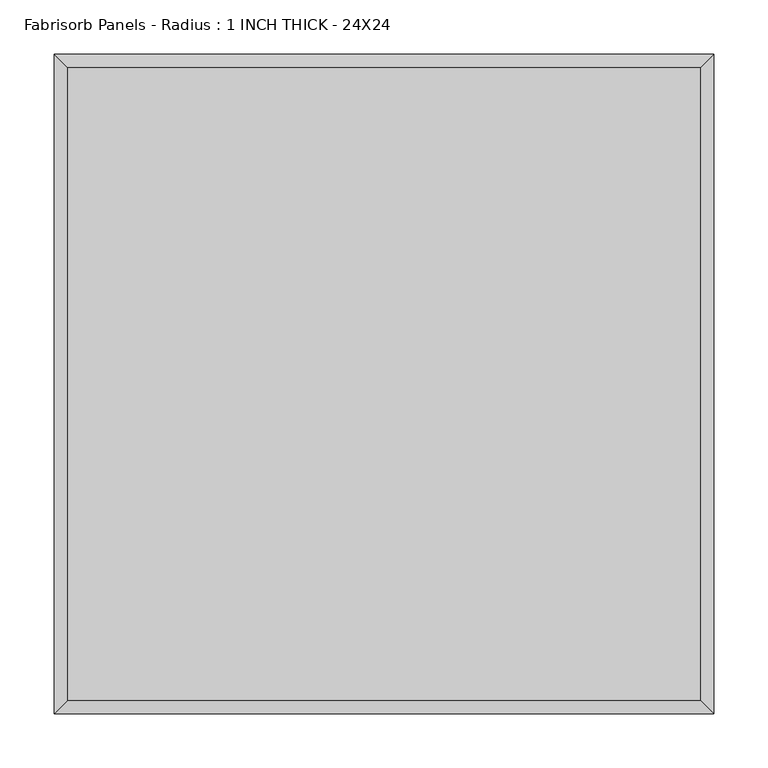
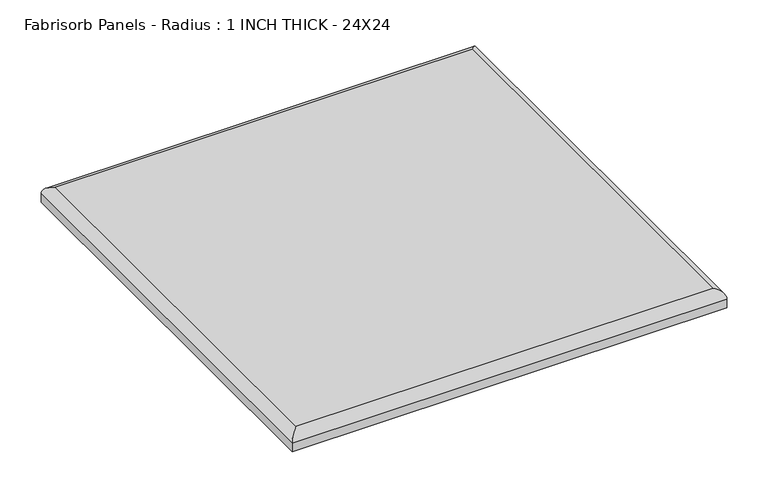
"""IFC4 building model written with IfcOpenShell, lengths in millimetres: proxy geometry, Fabrisorb Panels - Radius : 1 INCH THICK - 24X24."""

from ifc_helpers import new_model, si_unit, frame, origin, place, context, project, spatial, ellipse_curve, source, transform, mapped, element, save
from ifc_brep_helpers import plane_surface, cylinder_surface, advanced_brep


def fabrisorb_panels_radius_1_inch_thick_24x24_7c0f35f2(model_context):
    return source(origin(), model_context, "Body", "AdvancedBrep", [
        advanced_brep(
        [(292.1, 292.1, 25.4), (-292.1, 292.1, 25.4), (-292.1, -292.1, 25.4), (292.1, -292.1, 25.4), (-304.8, 304.8, 0.0), (304.8, 304.8, 0.0), (304.8, -304.8, 0.0), (-304.8, -304.8, 0.0), (-304.8, -304.8, 12.7), (-304.8, 304.8, 12.7), (304.8, -304.8, 12.7), (304.8, 304.8, 12.7)],
        [
            (0, 1),
            (1, 2),
            (2, 3),
            (3, 0),
            (4, 5),
            (5, 6),
            (6, 7),
            (7, 4),
            (7, 8),
            (8, 9),
            (9, 4),
            (6, 10),
            (10, 8),
            (5, 11),
            (11, 10),
            (9, 11),
            (9, 1, ellipse_curve(frame((-292.1, 292.1, 12.7), z_axis=(0.7071067811865475, 0.7071067811865475, 0.0), x_axis=(-0.7071067811865476, 0.7071067811865474, 0.0)), 17.9605122, 12.7)),
            (0, 11, ellipse_curve(frame((292.1, 292.1, 12.7), z_axis=(-0.7071067811865475, 0.7071067811865475, 0.0), x_axis=(-0.7071067811865476, -0.7071067811865474, 0.0)), 17.9605122, 12.7)),
            (8, 2, ellipse_curve(frame((-292.1, -292.1, 12.7), z_axis=(-0.7071067811865475, 0.7071067811865475, 0.0), x_axis=(-0.7071067811865474, -0.7071067811865476, 0.0)), 17.9605122, 12.7)),
            (10, 3, ellipse_curve(frame((292.1, -292.1, 12.7), z_axis=(-0.7071067811865475, -0.7071067811865475, 0.0), x_axis=(0.7071067811865476, -0.7071067811865474, 0.0)), 17.9605122, 12.7)),
        ],
        [
            plane_surface(frame((-304.8, 304.8, 25.4), z_axis=(0.0, 0.0, 1.0), x_axis=(0.0, -1.0, 0.0))),
            plane_surface(frame((-304.8, 304.8, 0.0), z_axis=(0.0, 0.0, -1.0), x_axis=(0.0, 1.0, 0.0))),
            plane_surface(frame((-304.8, 304.8, 25.4), z_axis=(-1.0, 0.0, 0.0), x_axis=(0.0, 0.0, -1.0))),
            plane_surface(frame((-304.8, -304.8, 25.4), z_axis=(0.0, -1.0, 0.0), x_axis=(0.0, 0.0, -1.0))),
            plane_surface(frame((304.8, -304.8, 25.4), z_axis=(1.0, 0.0, 0.0), x_axis=(0.0, 0.0, -1.0))),
            plane_surface(frame((304.8, 304.8, 25.4), z_axis=(0.0, 1.0, 0.0), x_axis=(0.0, 0.0, -1.0))),
            cylinder_surface(frame((304.8, 292.1, 12.7), z_axis=(-1.0, 0.0, 0.0), x_axis=(0.0, 1.0, 0.0)), 12.7),
            cylinder_surface(frame((-292.1, 304.8, 12.7), z_axis=(0.0, -1.0, 0.0), x_axis=(-1.0, 0.0, 0.0)), 12.7),
            cylinder_surface(frame((-304.8, -292.1, 12.7), z_axis=(1.0, 0.0, 0.0), x_axis=(0.0, -1.0, 0.0)), 12.7),
            cylinder_surface(frame((292.1, -304.8, 12.7), z_axis=(0.0, 1.0, 0.0), x_axis=(1.0, 0.0, 0.0)), 12.7),
        ],
        [
            (0, [[1, 2, 3, 4]]),
            (1, [[5, 6, 7, 8]]),
            (2, [[-8, 9, 10, 11]]),
            (3, [[-7, 12, 13, -9]]),
            (4, [[-6, 14, 15, -12]]),
            (5, [[-5, -11, 16, -14]]),
            (6, [[17, -1, 18, -16]]),
            (7, [[-17, -10, 19, -2]]),
            (8, [[-19, -13, 20, -3]]),
            (9, [[-18, -4, -20, -15]]),
        ],
    ),
    ])


if __name__ == "__main__":
    model = new_model("IFC4")
    model_context = context("Model", 3, world=origin())
    ifc_project = project(units=[si_unit("LENGTHUNIT", "METRE", prefix="MILLI")], contexts=[model_context])
    site = spatial("IfcSite", under=ifc_project)
    building = spatial("IfcBuilding", under=site)
    placement = place(None, origin())
    fabrisorb_panels_radius_1_inch_thick_24x24_shape = fabrisorb_panels_radius_1_inch_thick_24x24_7c0f35f2(model_context)
    element("IfcBuildingElementProxy", 1, Name="Fabrisorb Panels - Radius : 1 INCH THICK - 24X24", ObjectType="Fabrisorb Panels - Radius : 1 INCH THICK - 24X24", at=placement, inside=building, context=model_context, shape_type="MappedRepresentation", body=[
        mapped(fabrisorb_panels_radius_1_inch_thick_24x24_shape, transform((0.0, 0.0, 0.0), x_axis=(1.0, 0.0, 0.0), y_axis=(0.0, 1.0, 0.0), z_axis=(0.0, 0.0, 1.0))),
    ])
    save(model, "model.ifc")
